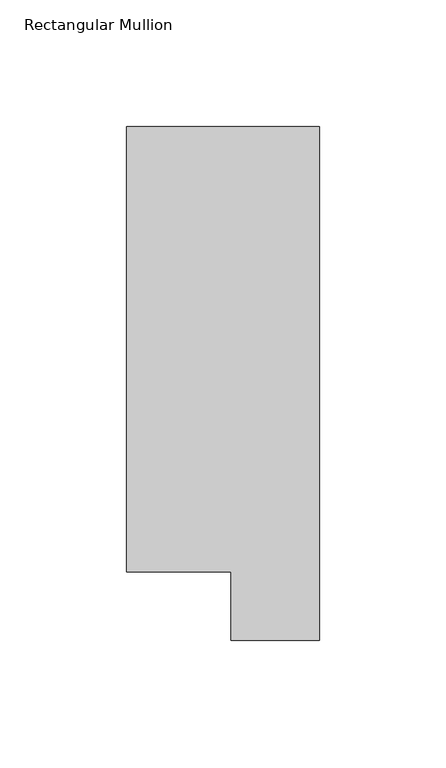
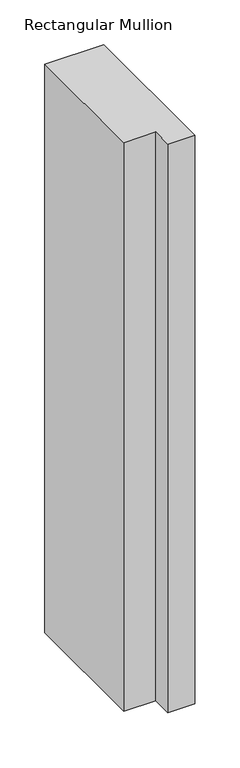
"""IFC4 building model written with IfcOpenShell, lengths in millimetres: member geometry, Rectangular Mullion."""

from ifc_helpers import new_model, si_unit, frame, origin, place, context, project, spatial, polyline, outline, extrude, source, transform, mapped, element, save


def rectangular_mullion_02109eab(model_context):
    return source(origin(), model_context, "Body", "SweptSolid", [
        extrude(outline(polyline([(0.0, 222.5381312), (0.0, 19.5667312), (-34.9123, 19.5667312), (-34.9123, 46.7447302), (-76.2, 46.7447302), (-76.2, 222.5381312), (0.0, 222.5381312)])), frame((0.0, 0.0, -774.6999997), z_axis=(0.0, 0.0, 1.0), x_axis=(1.0, 0.0, 0.0)), (0.0, 0.0, 1.0), 774.6999997),
    ])


if __name__ == "__main__":
    model = new_model("IFC4")
    model_context = context("Model", 3, world=origin())
    ifc_project = project(units=[si_unit("LENGTHUNIT", "METRE", prefix="MILLI")], contexts=[model_context])
    site = spatial("IfcSite", under=ifc_project)
    building = spatial("IfcBuilding", under=site)
    placement = place(None, origin())
    rectangular_mullion_shape = rectangular_mullion_02109eab(model_context)
    element("IfcMember", 1, ObjectType="Rectangular Mullion", at=placement, inside=building, context=model_context, shape_type="MappedRepresentation", body=[
        mapped(rectangular_mullion_shape, transform((0.0, 0.0, 0.0), x_axis=(1.0, 0.0, 0.0), y_axis=(0.0, 1.0, 0.0), z_axis=(0.0, 0.0, 1.0))),
    ])
    save(model, "model.ifc")
